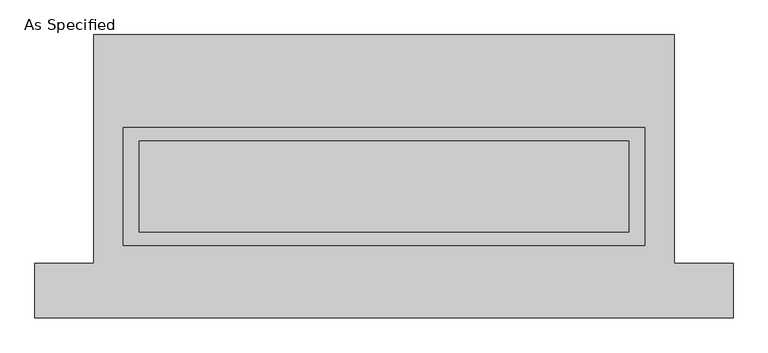
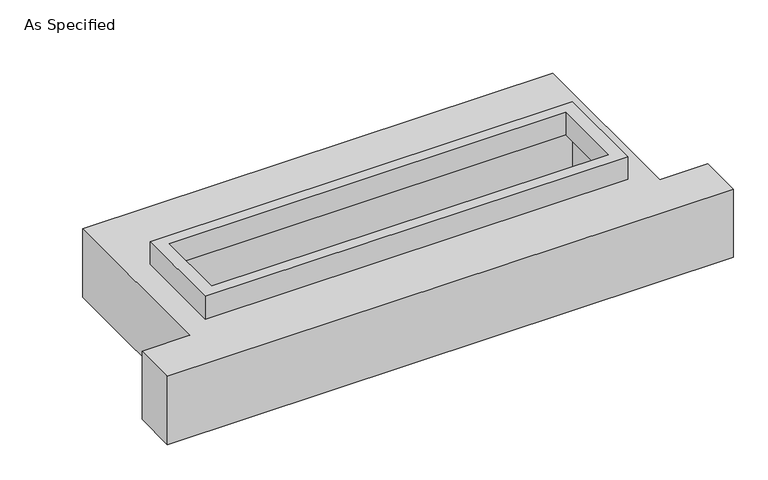
"""IFC4 building model written with IfcOpenShell, lengths in millimetres: proxy geometry, As Specified."""

from ifc_helpers import new_model, si_unit, frame, origin, place, context, project, spatial, polyline, outline, extrude, faceted_brep, source, transform, mapped, element, save


def as_specified_822677bc(model_context):
    return source(origin(), model_context, "Body", "SolidModel", [
        extrude(outline(polyline([(1460.5, 273.05), (1460.5, -387.35), (-1460.5, -387.35), (-1460.5, 273.05), (1460.5, 273.05)]), holes=[polyline([(1371.6, 196.85), (-1371.6, 196.85), (-1371.6, -311.15), (1371.6, -311.15), (1371.6, 196.85)])]), frame((0.0, 0.0, -25.4), z_axis=(0.0, 0.0, 1.0), x_axis=(1.0, 0.0, 0.0)), (0.0, 0.0, 1.0), 165.1),
        faceted_brep([(-1625.6, 793.75, -523.875), (1625.6, 793.75, -523.875), (1625.6, -488.95, -523.875), (1955.8, -488.95, -523.875), (1955.8, -793.75, -523.875), (-1955.8, -793.75, -523.875), (-1955.8, -488.95, -523.875), (-1625.6, -488.95, -523.875), (1625.6, 793.75, -25.4), (-1625.6, 793.75, -25.4), (-1625.6, -488.95, -25.4), (-1955.8, -488.95, -25.4), (-1955.8, -793.75, -25.4), (1955.8, -793.75, -25.4), (1955.8, -488.95, -25.4), (1625.6, -488.95, -25.4), (-1460.5, -387.35, -25.4), (-1460.5, 273.05, -25.4), (1460.5, 273.05, -25.4), (1460.5, -387.35, -25.4), (1460.5, 273.05, -498.475), (-1460.5, 273.05, -498.475), (-1460.5, -387.35, -498.475), (1460.5, -387.35, -498.475)], [[[0, 1, 2, 3, 4, 5, 6, 7]], [[8, 9, 10, 11, 12, 13, 14, 15], [16, 17, 18, 19]], [[1, 0, 9, 8]], [[9, 0, 7, 10]], [[1, 8, 15, 2]], [[20, 21, 22, 23]], [[21, 20, 18, 17]], [[23, 22, 16, 19]], [[5, 4, 13, 12]], [[3, 2, 15, 14]], [[4, 3, 14, 13]], [[7, 6, 11, 10]], [[6, 5, 12, 11]], [[22, 21, 17, 16]], [[20, 23, 19, 18]]]),
    ])


if __name__ == "__main__":
    model = new_model("IFC4")
    model_context = context("Model", 3, world=origin())
    ifc_project = project(units=[si_unit("LENGTHUNIT", "METRE", prefix="MILLI")], contexts=[model_context])
    site = spatial("IfcSite", under=ifc_project)
    building = spatial("IfcBuilding", under=site)
    placement = place(None, origin())
    as_specified_shape = as_specified_822677bc(model_context)
    element("IfcBuildingElementProxy", 1, Name="As Specified", ObjectType="As Specified", at=placement, inside=building, context=model_context, shape_type="MappedRepresentation", body=[
        mapped(as_specified_shape, transform((0.0, 0.0, 0.0), x_axis=(1.0, 0.0, 0.0), y_axis=(0.0, 1.0, 0.0), z_axis=(0.0, 0.0, 1.0))),
    ])
    save(model, "model.ifc")
